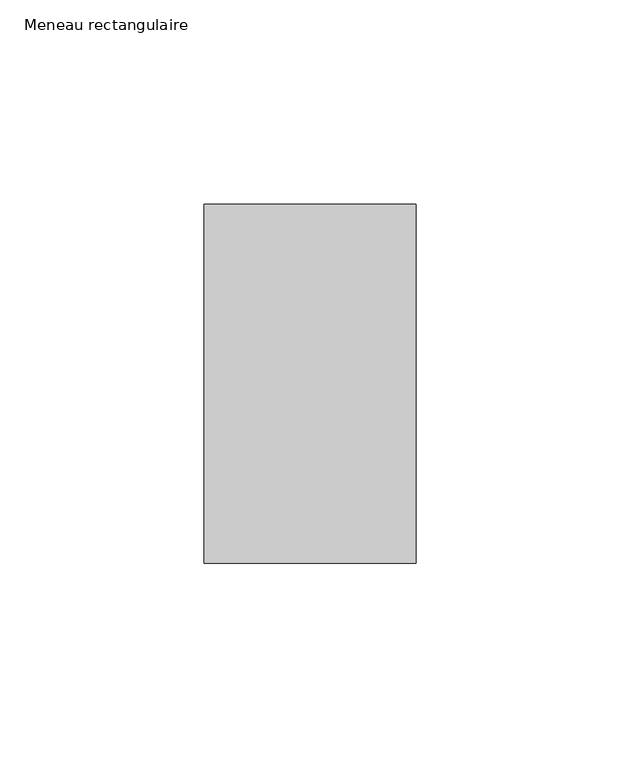
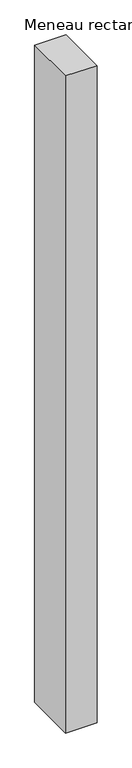
"""IFC4 building model written with IfcOpenShell, lengths in millimetres: member geometry, Meneau rectangulaire."""

from ifc_helpers import new_model, si_unit, frame, origin, place, context, project, spatial, polyline, outline, extrude, source, transform, mapped, element, save


def meneau_rectangulaire_989f6ea0(model_context):
    return source(origin(), model_context, "Body", "SweptSolid", [
        extrude(outline(polyline([(-52.0, 44.0), (0.0, 44.0), (0.0, -44.0), (-52.0, -44.0), (-52.0, 44.0)])), frame((0.0, 0.0, -1147.5357145), z_axis=(0.0, 0.0, 1.0), x_axis=(1.0, 0.0, 0.0)), (0.0, 0.0, 1.0), 1147.5357145),
    ])


if __name__ == "__main__":
    model = new_model("IFC4")
    model_context = context("Model", 3, world=origin())
    ifc_project = project(units=[si_unit("LENGTHUNIT", "METRE", prefix="MILLI")], contexts=[model_context])
    site = spatial("IfcSite", under=ifc_project)
    building = spatial("IfcBuilding", under=site)
    placement = place(None, origin())
    meneau_rectangulaire_shape = meneau_rectangulaire_989f6ea0(model_context)
    element("IfcMember", 1, ObjectType="Meneau rectangulaire", at=placement, inside=building, context=model_context, shape_type="MappedRepresentation", body=[
        mapped(meneau_rectangulaire_shape, transform((0.0, 0.0, 0.0), x_axis=(1.0, 0.0, 0.0), y_axis=(0.0, 1.0, 0.0), z_axis=(0.0, 0.0, 1.0))),
    ])
    save(model, "model.ifc")
